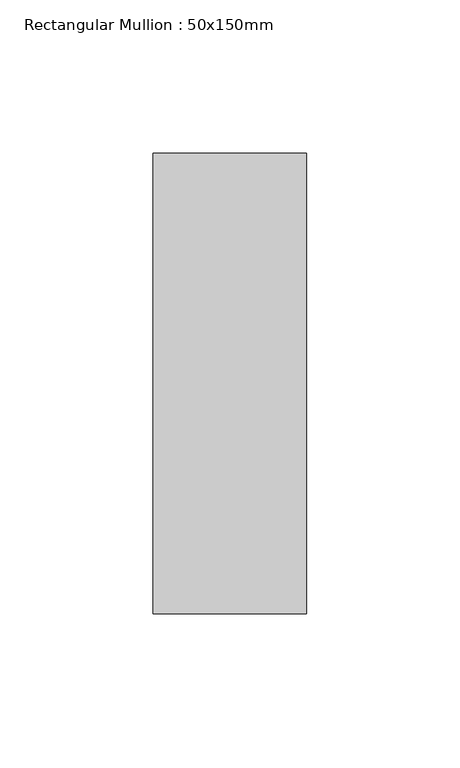
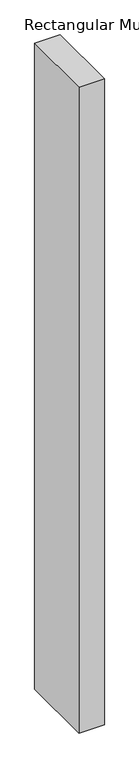
"""IFC4 building model written with IfcOpenShell, lengths in millimetres: member geometry, Rectangular Mullion : 50x150mm."""

from ifc_helpers import new_model, si_unit, frame, origin, place, context, project, spatial, polyline, outline, extrude, source, transform, mapped, element, save


def rectangular_mullion_50x150mm_40c4d393(model_context):
    return source(origin(), model_context, "Body", "SweptSolid", [
        extrude(outline(polyline([(0.0, 75.0), (0.0, -75.0), (-50.0, -75.0), (-50.0, 75.0), (0.0, 75.0)])), frame((0.0, 0.0, -1340.3427185), z_axis=(0.0, 0.0, 1.0), x_axis=(1.0, 0.0, 0.0)), (0.0, 0.0, 1.0), 1340.3427185),
    ])


if __name__ == "__main__":
    model = new_model("IFC4")
    model_context = context("Model", 3, world=origin())
    ifc_project = project(units=[si_unit("LENGTHUNIT", "METRE", prefix="MILLI")], contexts=[model_context])
    site = spatial("IfcSite", under=ifc_project)
    building = spatial("IfcBuilding", under=site)
    placement = place(None, origin())
    rectangular_mullion_50x150mm_shape = rectangular_mullion_50x150mm_40c4d393(model_context)
    element("IfcMember", 1, ObjectType="Rectangular Mullion : 50x150mm", at=placement, inside=building, context=model_context, shape_type="MappedRepresentation", body=[
        mapped(rectangular_mullion_50x150mm_shape, transform((0.0, 0.0, 0.0), x_axis=(1.0, 0.0, 0.0), y_axis=(0.0, 1.0, 0.0), z_axis=(0.0, 0.0, 1.0))),
    ])
    save(model, "model.ifc")
